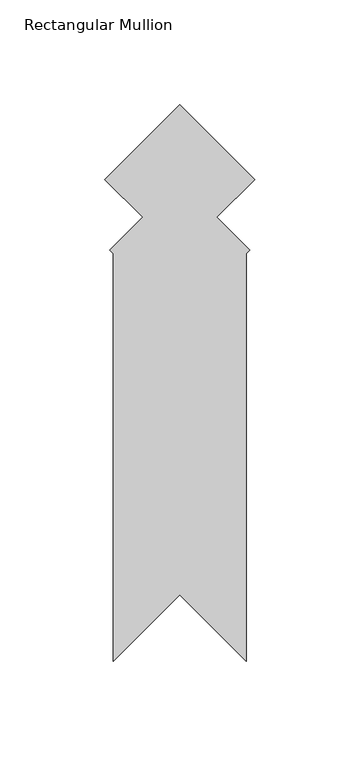
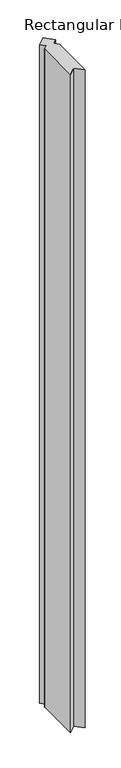
"""IFC4 building model written with IfcOpenShell, lengths in millimetres: member geometry, Rectangular Mullion."""

from ifc_helpers import new_model, si_unit, frame, origin, place, context, project, spatial, polyline, outline, extrude, source, transform, mapped, element, save


def rectangular_mullion_022ea7ef(model_context):
    return source(origin(), model_context, "Body", "SweptSolid", [
        extrude(outline(polyline([(-67.36151, -298.0544751), (-67.36151, -103.7217327), (-68.9779561, -102.1052866), (-53.2625079, -86.3898383), (-71.2230199, -68.4293263), (-35.61151, -32.8178163), (0.0, -68.4293263), (-17.9605121, -86.3898383), (-2.2450639, -102.1052866), (-3.86151, -103.7217327), (-3.86151, -298.0544749), (-35.6115099, -266.304475), (-67.36151, -298.0544751)])), frame((0.0, 0.0, -3048.0), z_axis=(0.0, 0.0, 1.0), x_axis=(1.0, 0.0, 0.0)), (0.0, 0.0, 1.0), 3048.0),
    ])


if __name__ == "__main__":
    model = new_model("IFC4")
    model_context = context("Model", 3, world=origin())
    ifc_project = project(units=[si_unit("LENGTHUNIT", "METRE", prefix="MILLI")], contexts=[model_context])
    site = spatial("IfcSite", under=ifc_project)
    building = spatial("IfcBuilding", under=site)
    placement = place(None, origin())
    rectangular_mullion_shape = rectangular_mullion_022ea7ef(model_context)
    element("IfcMember", 1, ObjectType="Rectangular Mullion", at=placement, inside=building, context=model_context, shape_type="MappedRepresentation", body=[
        mapped(rectangular_mullion_shape, transform((0.0, 0.0, 0.0), x_axis=(1.0, 0.0, 0.0), y_axis=(0.0, 1.0, 0.0), z_axis=(0.0, 0.0, 1.0))),
    ])
    save(model, "model.ifc")
